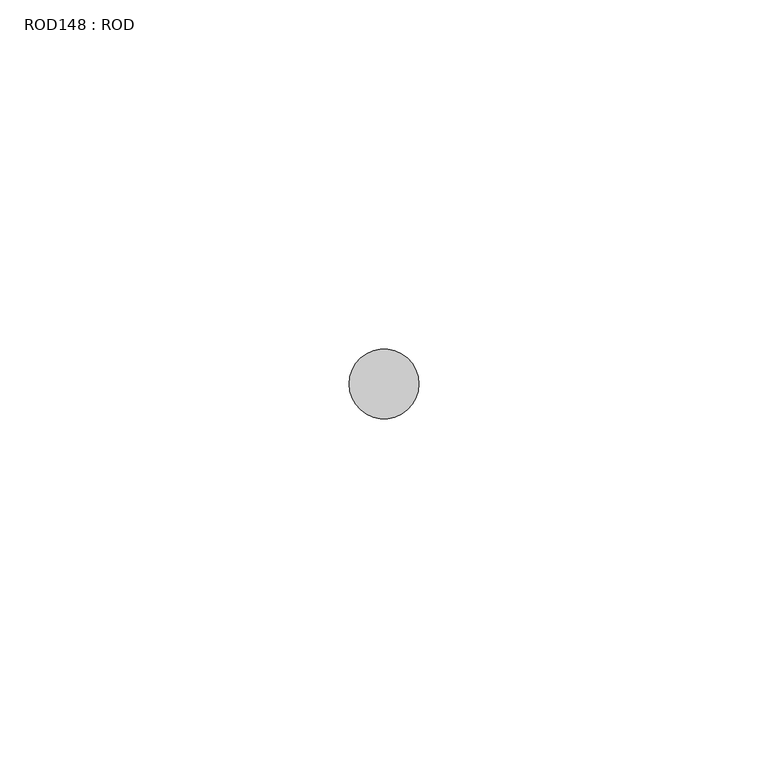
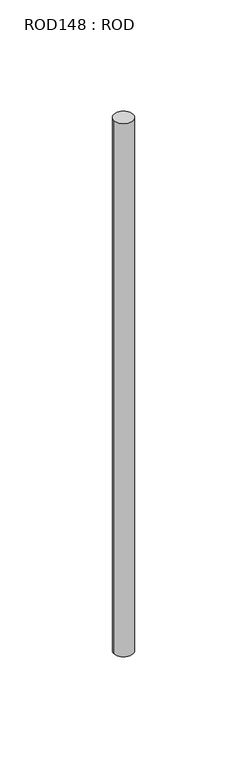
"""IFC4 building model written with IfcOpenShell, lengths in millimetres: proxy geometry, ROD148 : ROD."""

from ifc_helpers import new_model, si_unit, point, frame, frame_2d, origin, place, context, project, spatial, circle_curve, trimmed, segment, composite_curve, outline, extrude, source, transform, mapped, element, save


def rod148_rod_ea259204(model_context):
    return source(origin(), model_context, "Body", "SweptSolid", [
        extrude(outline(composite_curve([segment(trimmed(circle_curve(frame_2d((-4700.2326676, -21766.6028424)), 5.0), [point((-4705.2326676, -21766.6028424))], [point((-4695.2326676, -21766.6028424))], False, "CARTESIAN"), True, "CONTINUOUS"), segment(trimmed(circle_curve(frame_2d((-4700.2326676, -21766.6028424)), 5.0), [point((-4695.2326676, -21766.6028424))], [point((-4705.2326676, -21766.6028424))], False, "CARTESIAN"), True, "CONTINUOUS")], self_intersect=False)), frame((0.0, 0.0, 166.3391155), z_axis=(0.0, 0.0, 1.0), x_axis=(1.0, 0.0, 0.0)), (0.0, 0.0, 1.0), 298.9028972),
    ])


if __name__ == "__main__":
    model = new_model("IFC4")
    model_context = context("Model", 3, world=origin())
    ifc_project = project(units=[si_unit("LENGTHUNIT", "METRE", prefix="MILLI")], contexts=[model_context])
    site = spatial("IfcSite", under=ifc_project)
    building = spatial("IfcBuilding", under=site)
    placement = place(None, origin())
    rod148_rod_shape = rod148_rod_ea259204(model_context)
    element("IfcBuildingElementProxy", 1, Name="ROD148 : ROD", ObjectType="ROD148 : ROD", at=placement, inside=building, context=model_context, shape_type="MappedRepresentation", body=[
        mapped(rod148_rod_shape, transform((0.0, 0.0, 0.0), x_axis=(1.0, 0.0, 0.0), y_axis=(0.0, 1.0, 0.0), z_axis=(0.0, 0.0, 1.0))),
    ])
    save(model, "model.ifc")
